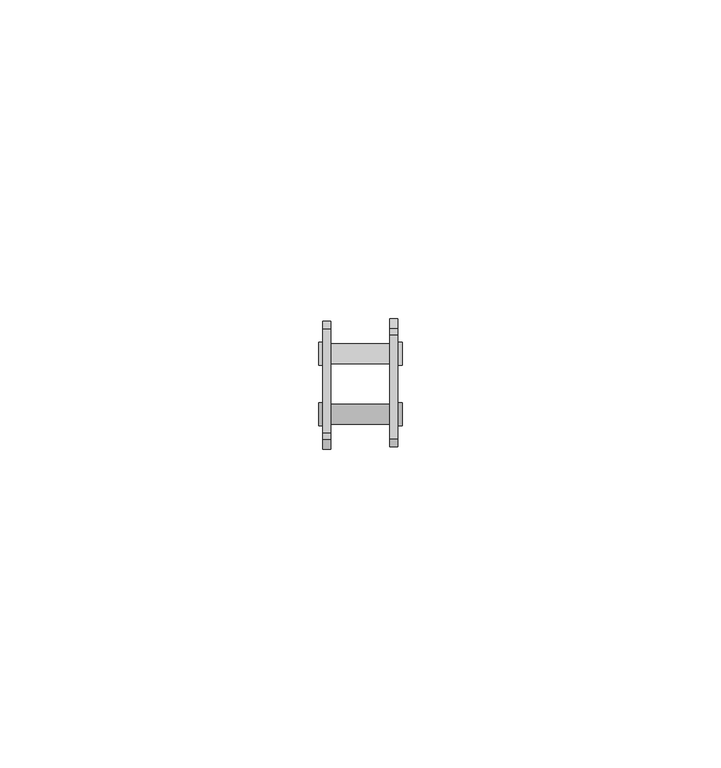
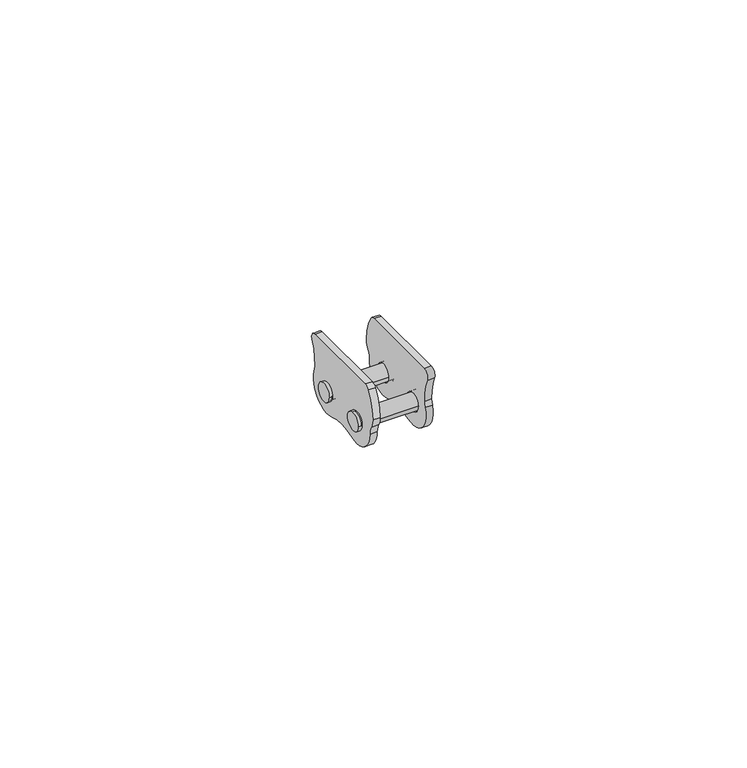
"""IFC4 building model written with IfcOpenShell, lengths in millimetres: proxy geometry."""

from ifc_helpers import new_model, si_unit, point, frame, frame_2d, origin, origin_2d, place, context, project, spatial, polyline, circle_curve, trimmed, segment, composite_curve, outline, extrude, source, transform, mapped, element, save
from ifc_brep_helpers import plane_surface, cylinder_surface, advanced_brep


def generic_models_15993540(model_context):
    return source(origin(), model_context, "Body", "SolidModel", [
        advanced_brep(
        [(-5.905, -11.315, 0.0), (-6.545, -11.315, 0.0), (-6.545, -7.735, 0.0), (-5.905, -7.735, 0.0), (5.905, -11.115, 0.0), (-5.905, -11.115, 0.0), (-5.905, -7.935, 0.0), (5.905, -7.935, 0.0), (6.545, -11.315, 0.0), (5.905, -11.315, 0.0), (5.905, -7.735, 0.0), (6.545, -7.735, 0.0)],
        [
            (0, 1),
            (1, 2, circle_curve(frame((-6.545, -9.525, 0.0), z_axis=(1.0, 0.0, 0.0), x_axis=(0.0, -1.0, 0.0)), 1.79)),
            (2, 3),
            (3, 0, circle_curve(frame((-5.905, -9.525, 0.0), z_axis=(-1.0, 0.0, 0.0), x_axis=(0.0, -1.0, 0.0)), 1.79)),
            (4, 5),
            (5, 6, circle_curve(frame((-5.905, -9.525, 0.0), z_axis=(1.0, 0.0, 0.0), x_axis=(0.0, -1.0, 0.0)), 1.59)),
            (6, 7),
            (7, 4, circle_curve(frame((5.905, -9.525, 0.0), z_axis=(-1.0, 0.0, 0.0), x_axis=(0.0, -1.0, 0.0)), 1.59)),
            (8, 9),
            (9, 10, circle_curve(frame((5.905, -9.525, 0.0), z_axis=(1.0, 0.0, 0.0), x_axis=(0.0, -1.0, 0.0)), 1.79)),
            (10, 11),
            (11, 8, circle_curve(frame((6.545, -9.525, 0.0), z_axis=(-1.0, 0.0, 0.0), x_axis=(0.0, -1.0, 0.0)), 1.79)),
            (11, 8, circle_curve(frame((6.545, -9.525, 0.0), z_axis=(1.0, 0.0, 0.0), x_axis=(0.0, -1.0, 0.0)), 1.79)),
            (10, 9, circle_curve(frame((5.905, -9.525, 0.0), z_axis=(1.0, 0.0, 0.0), x_axis=(0.0, -1.0, 0.0)), 1.79)),
            (7, 4, circle_curve(frame((5.905, -9.525, 0.0), z_axis=(1.0, 0.0, 0.0), x_axis=(0.0, -1.0, 0.0)), 1.59)),
            (6, 5, circle_curve(frame((-5.905, -9.525, 0.0), z_axis=(1.0, 0.0, 0.0), x_axis=(0.0, -1.0, 0.0)), 1.59)),
            (3, 0, circle_curve(frame((-5.905, -9.525, 0.0), z_axis=(1.0, 0.0, 0.0), x_axis=(0.0, -1.0, 0.0)), 1.79)),
            (2, 1, circle_curve(frame((-6.545, -9.525, 0.0), z_axis=(1.0, 0.0, 0.0), x_axis=(0.0, -1.0, 0.0)), 1.79)),
        ],
        [
            cylinder_surface(frame((-6.225, -9.525, 0.0), z_axis=(-1.0, 0.0, 0.0), x_axis=(0.0, -1.0, 0.0)), 1.79),
            cylinder_surface(frame((0.0, -9.525, 0.0), z_axis=(-1.0, 0.0, 0.0), x_axis=(0.0, -1.0, 0.0)), 1.59),
            cylinder_surface(frame((6.225, -9.525, 0.0), z_axis=(-1.0, 0.0, 0.0), x_axis=(0.0, -1.0, 0.0)), 1.79),
            plane_surface(frame((6.545, -10.42, 0.0), z_axis=(1.0, 0.0, 0.0), x_axis=(0.0, 0.0, 1.0))),
            plane_surface(frame((5.905, -11.215, 0.0), z_axis=(-1.0, 0.0, 0.0), x_axis=(0.0, 0.0, -1.0))),
            plane_surface(frame((-5.905, -11.215, 0.0), z_axis=(1.0, 0.0, 0.0), x_axis=(0.0, 0.0, 1.0))),
            plane_surface(frame((-6.545, -10.42, 0.0), z_axis=(-1.0, 0.0, 0.0), x_axis=(0.0, 0.0, -1.0))),
        ],
        [
            (0, [[1, 2, 3, 4]]),
            (1, [[5, 6, 7, 8]]),
            (2, [[9, 10, 11, 12]]),
            (3, [[13, -12]]),
            (2, [[-9, -13, -11, 14]]),
            (4, [[-14, -10], [15, -8]]),
            (1, [[-5, -15, -7, 16]]),
            (5, [[17, -4], [-16, -6]]),
            (0, [[-1, -17, -3, 18]]),
            (6, [[-18, -2]]),
        ],
    ),
        extrude(outline(composite_curve([segment(trimmed(circle_curve(origin_2d(), 4.5), [point((4.2531196, 1.470025))], [point((-1.4780172, -4.2503488))], False, "CARTESIAN"), True, "CONTINUOUS"), segment(trimmed(circle_curve(frame_2d((-4.7625, -13.6955684)), 10.0), [point((-1.4780172, -4.2503488))], [point((-8.0469828, -4.2503488))], True, "CARTESIAN"), True, "CONTINUOUS"), segment(trimmed(circle_curve(frame_2d((-9.525, 0.0)), 4.5), [point((-8.0469828, -4.2503488))], [point((-14.025, 0.0))], False, "CARTESIAN"), True, "CONTINUOUS"), segment(trimmed(circle_curve(frame_2d((-17.0251981, 0.0)), 3.0001981), [point((-14.025, 0.0))], [point((-14.5233959, 1.6559512))], True, "CARTESIAN"), True, "CONTINUOUS"), segment(trimmed(circle_curve(frame_2d((-12.0215938, 3.3119025)), 3.0001981), [point((-14.5233959, 1.6559512))], [point((-15.0204168, 3.4027264))], False, "CARTESIAN"), True, "CONTINUOUS"), segment(trimmed(circle_curve(frame_2d((-5.025, 3.1)), 10.0), [point((-15.0204168, 3.4027264))], [point((-13.4792705, 8.4409091))], False, "CARTESIAN"), True, "CONTINUOUS"), segment(trimmed(circle_curve(frame_2d((-12.4647581, 7.8)), 1.2), [point((-13.4792705, 8.4409091))], [point((-12.4647581, 9.0))], False, "CARTESIAN"), True, "CONTINUOUS"), segment(polyline([(-12.4647581, 9.0), (3.8588798, 9.0)]), True, "CONTINUOUS"), segment(trimmed(circle_curve(frame_2d((3.8588798, 7.8)), 1.2), [point((3.8588798, 9.0))], [point((4.948107, 7.2964286))], False, "CARTESIAN"), True, "CONTINUOUS"), segment(trimmed(circle_curve(frame_2d((14.025, 3.1)), 10.0), [point((4.948107, 7.2964286))], [point((4.0395552, 2.5606561))], True, "CARTESIAN"), True, "CONTINUOUS"), segment(trimmed(circle_curve(frame_2d((8.0325608, 2.7763303)), 3.998826), [point((4.0395552, 2.5606561))], [point((4.2531196, 1.470025))], True, "CARTESIAN"), True, "CONTINUOUS")], self_intersect=False), holes=[composite_curve([segment(trimmed(circle_curve(frame_2d((-9.525, 0.0)), 1.75), [point((-7.775, 0.0))], [point((-11.275, 0.0))], True, "CARTESIAN"), True, "CONTINUOUS"), segment(trimmed(circle_curve(frame_2d((-9.525, 0.0)), 1.75), [point((-11.275, 0.0))], [point((-7.775, 0.0))], True, "CARTESIAN"), True, "CONTINUOUS")], self_intersect=False), composite_curve([segment(trimmed(circle_curve(origin_2d(), 1.75), [point((1.75, 0.0))], [point((-1.75, 0.0))], True, "CARTESIAN"), True, "CONTINUOUS"), segment(trimmed(circle_curve(origin_2d(), 1.75), [point((-1.75, 0.0))], [point((1.75, 0.0))], True, "CARTESIAN"), True, "CONTINUOUS")], self_intersect=False)]), frame((-5.905, 0.0, 0.0), z_axis=(1.0, 0.0, 0.0), x_axis=(0.0, 1.0, 0.0)), (0.0, 0.0, 1.0), 1.27),
        extrude(outline(composite_curve([segment(trimmed(circle_curve(frame_2d((-4.7625, -13.6955684)), 10.0), [point((-1.4780172, -4.2503488))], [point((-8.0469828, -4.2503488))], True, "CARTESIAN"), True, "CONTINUOUS"), segment(trimmed(circle_curve(frame_2d((-9.525, 0.0)), 4.5), [point((-8.0469828, -4.2503488))], [point((-13.7781196, 1.470025))], False, "CARTESIAN"), True, "CONTINUOUS"), segment(trimmed(circle_curve(frame_2d((-17.5575608, 2.7763303)), 3.998826), [point((-13.7781196, 1.470025))], [point((-13.5645552, 2.5606561))], True, "CARTESIAN"), True, "CONTINUOUS"), segment(trimmed(circle_curve(frame_2d((-23.55, 3.1)), 10.0), [point((-13.5645552, 2.5606561))], [point((-14.473107, 7.2964286))], True, "CARTESIAN"), True, "CONTINUOUS"), segment(trimmed(circle_curve(frame_2d((-13.3838798, 7.8)), 1.2), [point((-14.473107, 7.2964286))], [point((-13.3838798, 9.0))], False, "CARTESIAN"), True, "CONTINUOUS"), segment(polyline([(-13.3838798, 9.0), (2.9397581, 9.0)]), True, "CONTINUOUS"), segment(trimmed(circle_curve(frame_2d((2.9397581, 7.8)), 1.2), [point((2.9397581, 9.0))], [point((3.9542705, 8.4409091))], False, "CARTESIAN"), True, "CONTINUOUS"), segment(trimmed(circle_curve(frame_2d((-4.5, 3.1)), 10.0), [point((3.9542705, 8.4409091))], [point((5.4954168, 3.4027264))], False, "CARTESIAN"), True, "CONTINUOUS"), segment(trimmed(circle_curve(frame_2d((2.4965938, 3.3119025)), 3.0001981), [point((5.4954168, 3.4027264))], [point((4.9983959, 1.6559512))], False, "CARTESIAN"), True, "CONTINUOUS"), segment(trimmed(circle_curve(frame_2d((7.5001981, 0.0)), 3.0001981), [point((4.9983959, 1.6559512))], [point((4.5, 0.0))], True, "CARTESIAN"), True, "CONTINUOUS"), segment(trimmed(circle_curve(origin_2d(), 4.5), [point((4.5, 0.0))], [point((-1.4780172, -4.2503488))], False, "CARTESIAN"), True, "CONTINUOUS")], self_intersect=False), holes=[composite_curve([segment(trimmed(circle_curve(frame_2d((-9.525, 0.0)), 1.75), [point((-11.275, 0.0))], [point((-7.775, 0.0))], True, "CARTESIAN"), True, "CONTINUOUS"), segment(trimmed(circle_curve(frame_2d((-9.525, 0.0)), 1.75), [point((-7.775, 0.0))], [point((-11.275, 0.0))], True, "CARTESIAN"), True, "CONTINUOUS")], self_intersect=False), composite_curve([segment(trimmed(circle_curve(origin_2d(), 1.75), [point((-1.75, 0.0))], [point((1.75, 0.0))], True, "CARTESIAN"), True, "CONTINUOUS"), segment(trimmed(circle_curve(origin_2d(), 1.75), [point((1.75, 0.0))], [point((-1.75, 0.0))], True, "CARTESIAN"), True, "CONTINUOUS")], self_intersect=False)]), frame((4.635, 0.0, 0.0), z_axis=(1.0, 0.0, 0.0), x_axis=(0.0, 1.0, 0.0)), (0.0, 0.0, 1.0), 1.27),
        advanced_brep(
        [(5.905, 1.79, 0.0), (6.545, 1.79, 0.0), (6.545, -1.79, 0.0), (5.905, -1.79, 0.0), (-5.905, 1.59, 0.0), (5.905, 1.59, 0.0), (5.905, -1.59, 0.0), (-5.905, -1.59, 0.0), (-6.545, 1.79, 0.0), (-5.905, 1.79, 0.0), (-5.905, -1.79, 0.0), (-6.545, -1.79, 0.0)],
        [
            (0, 1),
            (1, 2, circle_curve(frame((6.545, 0.0, 0.0), z_axis=(-1.0, 0.0, 0.0), x_axis=(0.0, 1.0, 0.0)), 1.79)),
            (2, 3),
            (3, 0, circle_curve(frame((5.905, 0.0, 0.0), z_axis=(1.0, 0.0, 0.0), x_axis=(0.0, 1.0, 0.0)), 1.79)),
            (4, 5),
            (5, 6, circle_curve(frame((5.905, 0.0, 0.0), z_axis=(-1.0, 0.0, 0.0), x_axis=(0.0, 1.0, 0.0)), 1.59)),
            (6, 7),
            (7, 4, circle_curve(frame((-5.905, 0.0, 0.0), z_axis=(1.0, 0.0, 0.0), x_axis=(0.0, 1.0, 0.0)), 1.59)),
            (8, 9),
            (9, 10, circle_curve(frame((-5.905, 0.0, 0.0), z_axis=(-1.0, 0.0, 0.0), x_axis=(0.0, 1.0, 0.0)), 1.79)),
            (10, 11),
            (11, 8, circle_curve(frame((-6.545, 0.0, 0.0), z_axis=(1.0, 0.0, 0.0), x_axis=(0.0, 1.0, 0.0)), 1.79)),
            (11, 8, circle_curve(frame((-6.545, 0.0, 0.0), z_axis=(-1.0, 0.0, 0.0), x_axis=(0.0, 1.0, 0.0)), 1.79)),
            (10, 9, circle_curve(frame((-5.905, 0.0, 0.0), z_axis=(-1.0, 0.0, 0.0), x_axis=(0.0, 1.0, 0.0)), 1.79)),
            (7, 4, circle_curve(frame((-5.905, 0.0, 0.0), z_axis=(-1.0, 0.0, 0.0), x_axis=(0.0, 1.0, 0.0)), 1.59)),
            (6, 5, circle_curve(frame((5.905, 0.0, 0.0), z_axis=(-1.0, 0.0, 0.0), x_axis=(0.0, 1.0, 0.0)), 1.59)),
            (3, 0, circle_curve(frame((5.905, 0.0, 0.0), z_axis=(-1.0, 0.0, 0.0), x_axis=(0.0, 1.0, 0.0)), 1.79)),
            (2, 1, circle_curve(frame((6.545, 0.0, 0.0), z_axis=(-1.0, 0.0, 0.0), x_axis=(0.0, 1.0, 0.0)), 1.79)),
        ],
        [
            cylinder_surface(frame((6.225, 0.0, 0.0), z_axis=(1.0, 0.0, 0.0), x_axis=(0.0, 1.0, 0.0)), 1.79),
            cylinder_surface(frame((0.0, 0.0, 0.0), z_axis=(1.0, 0.0, 0.0), x_axis=(0.0, 1.0, 0.0)), 1.59),
            cylinder_surface(frame((-6.225, 0.0, 0.0), z_axis=(1.0, 0.0, 0.0), x_axis=(0.0, 1.0, 0.0)), 1.79),
            plane_surface(frame((-6.545, 0.895, 0.0), z_axis=(-1.0, 0.0, 0.0), x_axis=(0.0, 0.0, 1.0))),
            plane_surface(frame((-5.905, 1.69, 0.0), z_axis=(1.0, 0.0, 0.0), x_axis=(0.0, 0.0, -1.0))),
            plane_surface(frame((5.905, 1.69, 0.0), z_axis=(-1.0, 0.0, 0.0), x_axis=(0.0, 0.0, 1.0))),
            plane_surface(frame((6.545, 0.895, 0.0), z_axis=(1.0, 0.0, 0.0), x_axis=(0.0, 0.0, -1.0))),
        ],
        [
            (0, [[1, 2, 3, 4]]),
            (1, [[5, 6, 7, 8]]),
            (2, [[9, 10, 11, 12]]),
            (3, [[13, -12]]),
            (2, [[-9, -13, -11, 14]]),
            (4, [[-14, -10], [15, -8]]),
            (1, [[-5, -15, -7, 16]]),
            (5, [[17, -4], [-16, -6]]),
            (0, [[-1, -17, -3, 18]]),
            (6, [[-18, -2]]),
        ],
    ),
    ])


if __name__ == "__main__":
    model = new_model("IFC4")
    model_context = context("Model", 3, world=origin())
    ifc_project = project(units=[si_unit("LENGTHUNIT", "METRE", prefix="MILLI")], contexts=[model_context])
    site = spatial("IfcSite", under=ifc_project)
    building = spatial("IfcBuilding", under=site)
    placement = place(None, origin())
    generic_models_shape = generic_models_15993540(model_context)
    element("IfcBuildingElementProxy", 1, Name="Generic Models", at=placement, inside=building, context=model_context, shape_type="MappedRepresentation", body=[
        mapped(generic_models_shape, transform((0.0, 0.0, 0.0), x_axis=(1.0, 0.0, 0.0), y_axis=(0.0, 1.0, 0.0), z_axis=(0.0, 0.0, 1.0))),
    ])
    save(model, "model.ifc")
